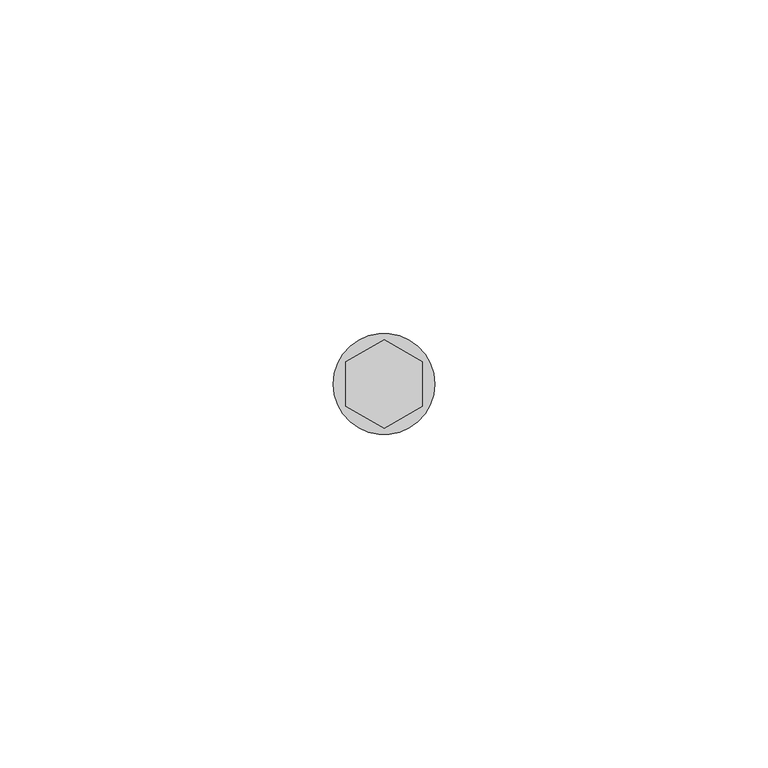
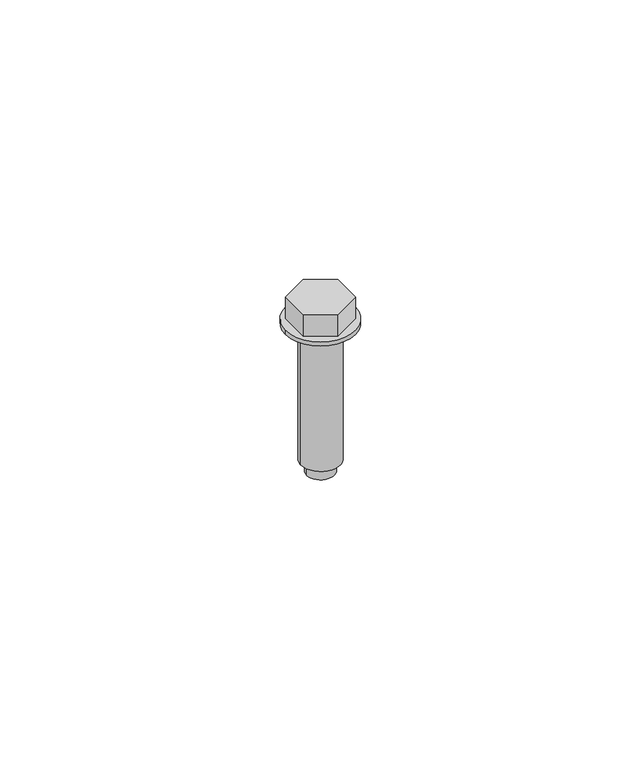
"""IFC4 building model written with IfcOpenShell, lengths in millimetres: proxy geometry."""

from ifc_helpers import new_model, si_unit, point, frame, origin, origin_2d, place, context, project, spatial, polyline, circle_curve, trimmed, segment, composite_curve, outline, extrude, source, transform, mapped, element, save


def generic_models_43293851(model_context):
    return source(origin(), model_context, "Body", "SweptSolid", [
        extrude(outline(composite_curve([segment(trimmed(circle_curve(origin_2d(), 4.2841674), [point((-4.2841674, 0.0))], [point((4.2841674, 0.0))], False, "CARTESIAN"), True, "CONTINUOUS"), segment(trimmed(circle_curve(origin_2d(), 4.2841674), [point((4.2841674, 0.0))], [point((-4.2841674, 0.0))], False, "CARTESIAN"), True, "CONTINUOUS")], self_intersect=False), holes=[composite_curve([segment(trimmed(circle_curve(origin_2d(), 3.5439164), [point((-3.5439164, 0.0))], [point((3.5439164, 0.0))], True, "CARTESIAN"), True, "CONTINUOUS"), segment(trimmed(circle_curve(origin_2d(), 3.5439164), [point((3.5439164, 0.0))], [point((-3.5439164, 0.0))], True, "CARTESIAN"), True, "CONTINUOUS")], self_intersect=False)]), frame((0.0, 0.0, -24.1810137), z_axis=(0.0, 0.0, 1.0), x_axis=(1.0, 0.0, 0.0)), (0.0, 0.0, 1.0), 31.1810137),
        extrude(outline(polyline([(0.0, -6.6082069), (-5.722875, -3.3041034), (-5.722875, 3.3041034), (0.0, 6.6082069), (5.722875, 3.3041034), (5.722875, -3.3041034), (0.0, -6.6082069)])), frame((0.0, 0.0, 8.0), z_axis=(0.0, 0.0, 1.0), x_axis=(1.0, 0.0, 0.0)), (0.0, 0.0, 1.0), 5.0),
        extrude(outline(composite_curve([segment(trimmed(circle_curve(origin_2d(), 7.6155736), [point((-7.6155736, 0.0))], [point((7.6155736, 0.0))], False, "CARTESIAN"), True, "CONTINUOUS"), segment(trimmed(circle_curve(origin_2d(), 7.6155736), [point((7.6155736, 0.0))], [point((-7.6155736, 0.0))], False, "CARTESIAN"), True, "CONTINUOUS")], self_intersect=False), holes=[composite_curve([segment(trimmed(circle_curve(origin_2d(), 3.0), [point((-3.0, 0.0))], [point((3.0, 0.0))], True, "CARTESIAN"), True, "CONTINUOUS"), segment(trimmed(circle_curve(origin_2d(), 3.0), [point((3.0, 0.0))], [point((-3.0, 0.0))], True, "CARTESIAN"), True, "CONTINUOUS")], self_intersect=False)]), frame((0.0, 0.0, 7.0), z_axis=(0.0, 0.0, 1.0), x_axis=(1.0, 0.0, 0.0)), (0.0, 0.0, 1.0), 1.0),
        extrude(outline(composite_curve([segment(trimmed(circle_curve(origin_2d(), 3.0), [point((-3.0, 0.0))], [point((3.0, 0.0))], False, "CARTESIAN"), True, "CONTINUOUS"), segment(trimmed(circle_curve(origin_2d(), 3.0), [point((3.0, 0.0))], [point((-3.0, 0.0))], False, "CARTESIAN"), True, "CONTINUOUS")], self_intersect=False)), frame((0.0, 0.0, -27.0), z_axis=(0.0, 0.0, 1.0), x_axis=(1.0, 0.0, 0.0)), (0.0, 0.0, 1.0), 34.0),
    ])


if __name__ == "__main__":
    model = new_model("IFC4")
    model_context = context("Model", 3, world=origin())
    ifc_project = project(units=[si_unit("LENGTHUNIT", "METRE", prefix="MILLI")], contexts=[model_context])
    site = spatial("IfcSite", under=ifc_project)
    building = spatial("IfcBuilding", under=site)
    placement = place(None, origin())
    generic_models_shape = generic_models_43293851(model_context)
    element("IfcBuildingElementProxy", 1, Name="Generic Models", at=placement, inside=building, context=model_context, shape_type="MappedRepresentation", body=[
        mapped(generic_models_shape, transform((0.0, 0.0, 0.0), x_axis=(1.0, 0.0, 0.0), y_axis=(0.0, 1.0, 0.0), z_axis=(0.0, 0.0, 1.0))),
    ])
    save(model, "model.ifc")
